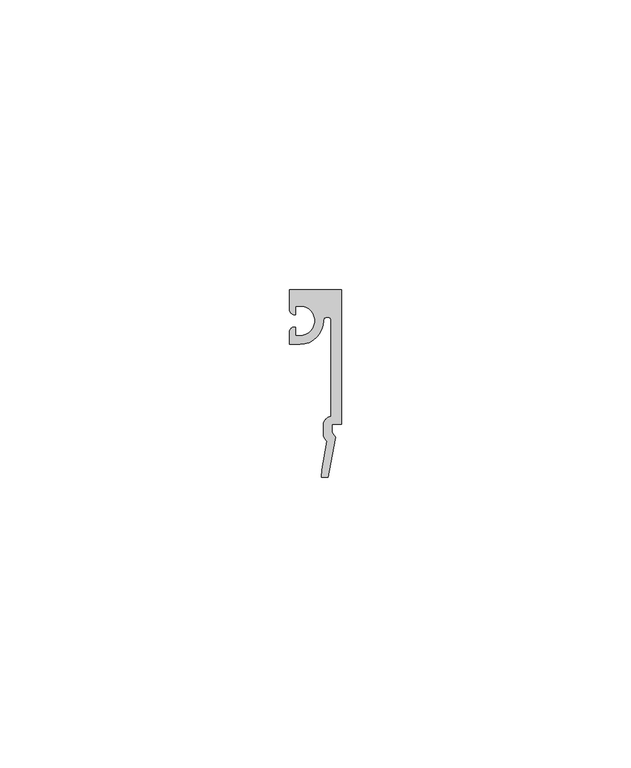
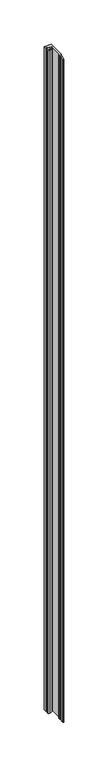
"""IFC4 building model written with IfcOpenShell, lengths in millimetres: proxy geometry."""

from ifc_helpers import new_model, si_unit, point, frame, frame_2d, origin, place, context, project, spatial, polyline, circle_curve, trimmed, segment, composite_curve, outline, extrude, source, transform, mapped, element, save


def generic_models_759314a6(model_context):
    return source(origin(), model_context, "Body", "SweptSolid", [
        extrude(outline(composite_curve([segment(polyline([(37256.0210168, -23745.4443205), (37256.0210168, -23746.7143073), (37256.6052168, -23747.5779205), (37255.3606168, -23754.4867205), (37254.1668168, -23754.4867205), (37254.2989604, -23753.2167205), (37255.187463, -23748.2846248)]), True, "CONTINUOUS"), segment(trimmed(circle_curve(frame_2d((37256.0210168, -23747.0699205)), 1.4732), [point((37255.187463, -23748.2846248))], [point((37254.5478168, -23747.0699205))], False, "CARTESIAN"), True, "CONTINUOUS"), segment(polyline([(37254.5478168, -23747.0699205), (37254.5478168, -23745.4443205)]), True, "CONTINUOUS"), segment(trimmed(circle_curve(frame_2d((37256.0210168, -23745.4443205)), 1.4732), [point((37254.5478168, -23745.4443205))], [point((37255.8813005, -23743.9777608))], False, "CARTESIAN"), True, "CONTINUOUS"), segment(polyline([(37255.8813005, -23743.9777608), (37255.8813005, -23727.5119205)]), True, "CONTINUOUS"), segment(trimmed(circle_curve(frame_2d((37255.2082005, -23727.5119205)), 0.6731), [point((37255.8813005, -23727.5119205))], [point((37254.5351005, -23727.5119205))], True, "CARTESIAN"), True, "CONTINUOUS"), segment(trimmed(circle_curve(frame_2d((37250.4965005, -23727.5119205)), 4.0386), [point((37254.5351005, -23727.5119205))], [point((37250.4965005, -23731.5505205))], False, "CARTESIAN"), True, "CONTINUOUS"), segment(polyline([(37250.4965005, -23731.5505205), (37248.6931005, -23731.5505205), (37248.6931005, -23729.3915205)]), True, "CONTINUOUS"), segment(trimmed(circle_curve(frame_2d((37249.5059005, -23729.3915205)), 0.8128), [point((37248.6931005, -23729.3915205))], [point((37249.7091005, -23728.6045303))], False, "CARTESIAN"), True, "CONTINUOUS"), segment(polyline([(37249.7091005, -23728.6045303), (37249.7091005, -23730.0773205), (37250.4965005, -23730.0773205)]), True, "CONTINUOUS"), segment(trimmed(circle_curve(frame_2d((37250.4965005, -23727.5119205)), 2.5654), [point((37250.4965005, -23730.0773205))], [point((37250.4965005, -23724.9465205))], True, "CARTESIAN"), True, "CONTINUOUS"), segment(polyline([(37250.4965005, -23724.9465205), (37249.7091005, -23724.9465205), (37249.7091005, -23726.4193108)]), True, "CONTINUOUS"), segment(trimmed(circle_curve(frame_2d((37249.5059005, -23725.6323205)), 0.8128), [point((37249.7091005, -23726.4193108))], [point((37248.6931005, -23725.6323205))], False, "CARTESIAN"), True, "CONTINUOUS"), segment(polyline([(37248.6931005, -23725.6323205), (37248.6931005, -23722.1525205), (37257.6085005, -23722.1525205), (37257.6085005, -23745.3173205), (37256.0210168, -23745.4443205)]), True, "CONTINUOUS")], self_intersect=False)), frame((0.0, 0.0, 1524.0), z_axis=(0.0, 0.0, 1.0), x_axis=(1.0, 0.0, 0.0)), (0.0, 0.0, 1.0), 914.4),
    ])


if __name__ == "__main__":
    model = new_model("IFC4")
    model_context = context("Model", 3, world=origin())
    ifc_project = project(units=[si_unit("LENGTHUNIT", "METRE", prefix="MILLI")], contexts=[model_context])
    site = spatial("IfcSite", under=ifc_project)
    building = spatial("IfcBuilding", under=site)
    placement = place(None, origin())
    generic_models_shape = generic_models_759314a6(model_context)
    element("IfcBuildingElementProxy", 1, Name="Generic Models", at=placement, inside=building, context=model_context, shape_type="MappedRepresentation", body=[
        mapped(generic_models_shape, transform((0.0, 0.0, 0.0), x_axis=(1.0, 0.0, 0.0), y_axis=(0.0, 1.0, 0.0), z_axis=(0.0, 0.0, 1.0))),
    ])
    save(model, "model.ifc")
